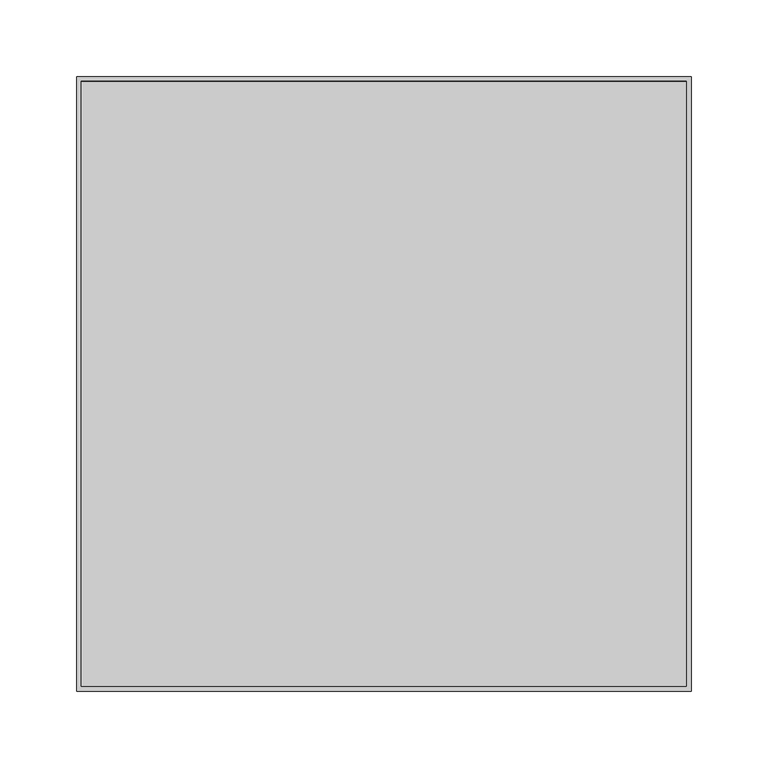
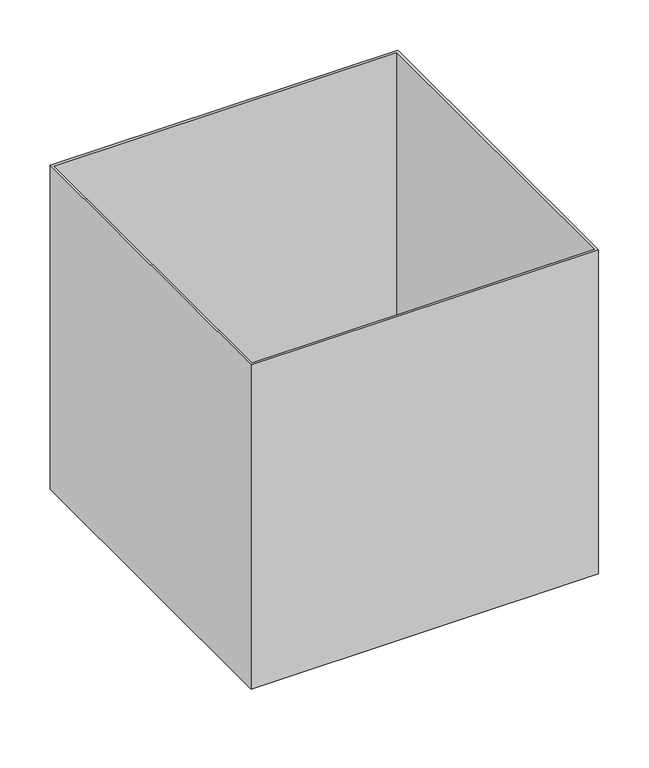
"""IFC4 building model written with IfcOpenShell, lengths in millimetres: furniture geometry."""

from ifc_helpers import new_model, si_unit, point, frame, frame_2d, origin, origin_with_axes, place, context, project, spatial, polyline, circle_curve, trimmed, segment, composite_curve, outline, extrude, source, transform, mapped, element, save


def furniture_206342a3(model_context):
    return source(origin(), model_context, "Body", "SweptSolid", [
        extrude(outline(composite_curve([segment(trimmed(circle_curve(frame_2d((-130.0, -100.0)), 15.0), [point((-145.0, -100.0))], [point((-115.0, -100.0))], False, "CARTESIAN"), True, "CONTINUOUS"), segment(trimmed(circle_curve(frame_2d((-130.0, -100.0)), 15.0), [point((-115.0, -100.0))], [point((-145.0, -100.0))], False, "CARTESIAN"), True, "CONTINUOUS")], self_intersect=False)), origin_with_axes(), (0.0, 0.0, 1.0), 5.0),
        extrude(outline(composite_curve([segment(trimmed(circle_curve(frame_2d((-130.0, 100.0)), 15.0), [point((-145.0, 100.0))], [point((-115.0, 100.0))], False, "CARTESIAN"), True, "CONTINUOUS"), segment(trimmed(circle_curve(frame_2d((-130.0, 100.0)), 15.0), [point((-115.0, 100.0))], [point((-145.0, 100.0))], False, "CARTESIAN"), True, "CONTINUOUS")], self_intersect=False)), origin_with_axes(), (0.0, 0.0, 1.0), 5.0),
        extrude(outline(composite_curve([segment(trimmed(circle_curve(frame_2d((130.0, -100.0)), 15.0), [point((115.0, -100.0))], [point((145.0, -100.0))], False, "CARTESIAN"), True, "CONTINUOUS"), segment(trimmed(circle_curve(frame_2d((130.0, -100.0)), 15.0), [point((145.0, -100.0))], [point((115.0, -100.0))], False, "CARTESIAN"), True, "CONTINUOUS")], self_intersect=False)), origin_with_axes(), (0.0, 0.0, 1.0), 5.0),
        extrude(outline(composite_curve([segment(trimmed(circle_curve(frame_2d((130.0, 100.0)), 15.0), [point((115.0, 100.0))], [point((145.0, 100.0))], False, "CARTESIAN"), True, "CONTINUOUS"), segment(trimmed(circle_curve(frame_2d((130.0, 100.0)), 15.0), [point((145.0, 100.0))], [point((115.0, 100.0))], False, "CARTESIAN"), True, "CONTINUOUS")], self_intersect=False)), origin_with_axes(), (0.0, 0.0, 1.0), 5.0),
        extrude(outline(composite_curve([segment(trimmed(circle_curve(frame_2d((8.0, -147.0)), 3.0), [point((8.0, -150.0))], [point((5.0, -147.0))], False, "CARTESIAN"), True, "CONTINUOUS"), segment(polyline([(5.0, -147.0), (5.0, -113.0)]), True, "CONTINUOUS"), segment(trimmed(circle_curve(frame_2d((8.0, -113.0)), 3.0), [point((5.0, -113.0))], [point((8.0, -110.0))], False, "CARTESIAN"), True, "CONTINUOUS"), segment(polyline([(8.0, -110.0), (35.0, -110.0), (35.0, -113.0), (11.0, -113.0)]), True, "CONTINUOUS"), segment(trimmed(circle_curve(frame_2d((11.0, -116.0)), 3.0), [point((11.0, -113.0))], [point((8.0, -116.0))], True, "CARTESIAN"), True, "CONTINUOUS"), segment(polyline([(8.0, -116.0), (8.0, -144.0)]), True, "CONTINUOUS"), segment(trimmed(circle_curve(frame_2d((11.0, -144.0)), 3.0), [point((8.0, -144.0))], [point((11.0, -147.0))], True, "CARTESIAN"), True, "CONTINUOUS"), segment(polyline([(11.0, -147.0), (35.0, -147.0), (35.0, -150.0), (8.0, -150.0)]), True, "CONTINUOUS")], self_intersect=False)), frame((0.0, -150.0, 0.0), z_axis=(0.0, 1.0, 0.0), x_axis=(0.0, 0.0, 1.0)), (0.0, 0.0, 1.0), 300.0),
        extrude(outline(composite_curve([segment(polyline([(8.0, 150.0), (35.0, 150.0), (35.0, 147.0), (11.0, 147.0)]), True, "CONTINUOUS"), segment(trimmed(circle_curve(frame_2d((11.0, 144.0)), 3.0), [point((11.0, 147.0))], [point((8.0, 144.0))], True, "CARTESIAN"), True, "CONTINUOUS"), segment(polyline([(8.0, 144.0), (8.0, 116.0)]), True, "CONTINUOUS"), segment(trimmed(circle_curve(frame_2d((11.0, 116.0)), 3.0), [point((8.0, 116.0))], [point((11.0, 113.0))], True, "CARTESIAN"), True, "CONTINUOUS"), segment(polyline([(11.0, 113.0), (35.0, 113.0), (35.0, 110.0), (8.0, 110.0)]), True, "CONTINUOUS"), segment(trimmed(circle_curve(frame_2d((8.0, 113.0)), 3.0), [point((8.0, 110.0))], [point((5.0, 113.0))], False, "CARTESIAN"), True, "CONTINUOUS"), segment(polyline([(5.0, 113.0), (5.0, 147.0)]), True, "CONTINUOUS"), segment(trimmed(circle_curve(frame_2d((8.0, 147.0)), 3.0), [point((5.0, 147.0))], [point((8.0, 150.0))], False, "CARTESIAN"), True, "CONTINUOUS")], self_intersect=False)), frame((0.0, -150.0, 0.0), z_axis=(0.0, 1.0, 0.0), x_axis=(0.0, 0.0, 1.0)), (0.0, 0.0, 1.0), 300.0),
        extrude(outline(polyline([(197.0, 197.0), (197.0, -197.0), (-197.0, -197.0), (-197.0, 197.0), (197.0, 197.0)])), frame((0.0, 0.0, 35.0), z_axis=(0.0, 0.0, 1.0), x_axis=(1.0, 0.0, 0.0)), (0.0, 0.0, 1.0), 3.0),
        extrude(outline(polyline([(200.0, 200.0), (200.0, -200.0), (-200.0, -200.0), (-200.0, 200.0), (200.0, 200.0)]), holes=[polyline([(197.0, 197.0), (-197.0, 197.0), (-197.0, -197.0), (197.0, -197.0), (197.0, 197.0)])]), frame((0.0, 0.0, 35.0), z_axis=(0.0, 0.0, 1.0), x_axis=(1.0, 0.0, 0.0)), (0.0, 0.0, 1.0), 394.0),
    ])


if __name__ == "__main__":
    model = new_model("IFC4")
    model_context = context("Model", 3, world=origin())
    ifc_project = project(units=[si_unit("LENGTHUNIT", "METRE", prefix="MILLI")], contexts=[model_context])
    site = spatial("IfcSite", under=ifc_project)
    building = spatial("IfcBuilding", under=site)
    placement = place(None, origin())
    furniture_shape = furniture_206342a3(model_context)
    element("IfcFurniture", 1, at=placement, inside=building, context=model_context, shape_type="MappedRepresentation", body=[
        mapped(furniture_shape, transform((0.0, 0.0, 0.0), x_axis=(1.0, 0.0, 0.0), y_axis=(0.0, 1.0, 0.0), z_axis=(0.0, 0.0, 1.0))),
    ])
    save(model, "model.ifc")
